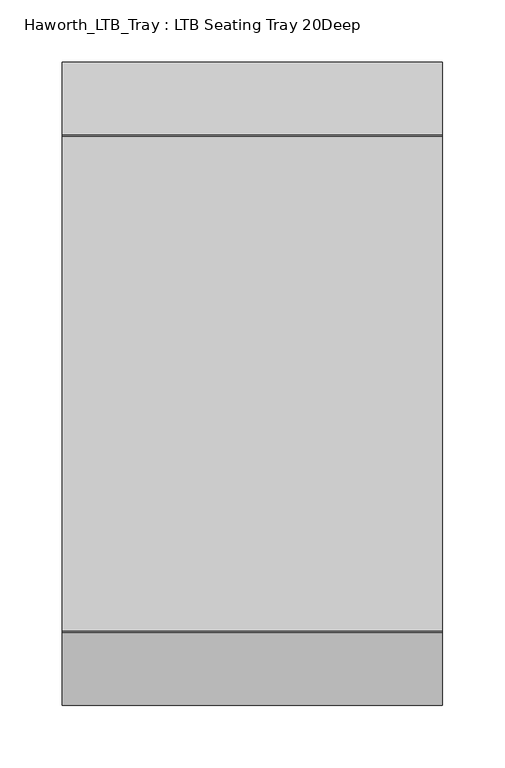
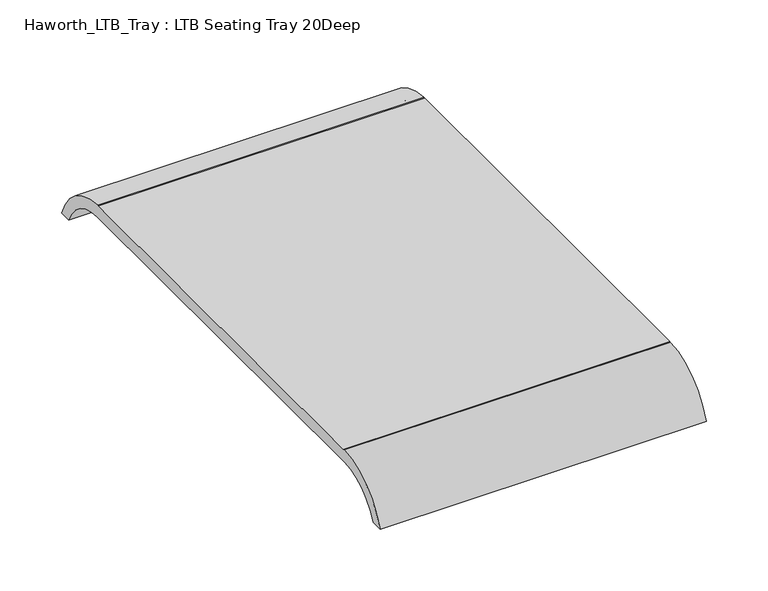
"""IFC4 building model written with IfcOpenShell, lengths in millimetres: furniture geometry, Haworth_LTB_Tray : LTB Seating Tray 20Deep."""

from ifc_helpers import new_model, si_unit, point, frame, frame_2d, origin, place, context, project, spatial, polyline, circle_curve, trimmed, segment, composite_curve, outline, extrude, source, transform, mapped, element, save


def haworth_ltb_tray_ltb_seating_tray_20deep_4236fddf(model_context):
    return source(origin(), model_context, "Body", "SweptSolid", [
        extrude(outline(composite_curve([segment(trimmed(circle_curve(frame_2d((-200.0364582, 375.0527771)), 49.9472261), [point((-200.0364582, 425.0000032))], [point((-246.2503946, 394.0000059))], True, "CARTESIAN"), True, "CONTINUOUS"), segment(polyline([(-246.2503946, 394.0000059), (-257.7464189, 394.0000059)]), True, "CONTINUOUS"), segment(trimmed(circle_curve(frame_2d((-197.9151522, 373.8823502)), 63.1229004), [point((-257.7464189, 394.0000059))], [point((-199.7580648, 436.9783423))], False, "CARTESIAN"), True, "CONTINUOUS"), segment(trimmed(circle_curve(frame_2d((-198.274927, 386.1999975)), 50.8), [point((-199.7580648, 436.9783423))], [point((-198.274927, 436.9999975))], False, "CARTESIAN"), True, "CONTINUOUS"), segment(polyline([(-198.274927, 436.9999975), (198.274927, 436.9999975)]), True, "CONTINUOUS"), segment(trimmed(circle_curve(frame_2d((198.274927, 386.1999975)), 50.8), [point((198.274927, 436.9999975))], [point((199.7580648, 436.9783423))], False, "CARTESIAN"), True, "CONTINUOUS"), segment(trimmed(circle_curve(frame_2d((197.9151522, 373.8823502)), 63.1229004), [point((199.7580648, 436.9783423))], [point((257.7464189, 394.0000059))], False, "CARTESIAN"), True, "CONTINUOUS"), segment(polyline([(257.7464189, 394.0000059), (246.2503946, 394.0000059)]), True, "CONTINUOUS"), segment(trimmed(circle_curve(frame_2d((200.0364582, 375.0527771)), 49.9472261), [point((246.2503946, 394.0000059))], [point((200.0364582, 425.0000032))], True, "CARTESIAN"), True, "CONTINUOUS"), segment(polyline([(200.0364582, 425.0000032), (-200.0364582, 425.0000032)]), True, "CONTINUOUS")], self_intersect=False)), frame((393.7, 0.0, 0.0), z_axis=(1.0, 0.0, 0.0), x_axis=(0.0, 1.0, 0.0)), (0.0, 0.0, 1.0), 304.8),
    ])


if __name__ == "__main__":
    model = new_model("IFC4")
    model_context = context("Model", 3, world=origin())
    ifc_project = project(units=[si_unit("LENGTHUNIT", "METRE", prefix="MILLI")], contexts=[model_context])
    site = spatial("IfcSite", under=ifc_project)
    building = spatial("IfcBuilding", under=site)
    placement = place(None, origin())
    haworth_ltb_tray_ltb_seating_tray_20deep_shape = haworth_ltb_tray_ltb_seating_tray_20deep_4236fddf(model_context)
    element("IfcFurniture", 1, ObjectType="Haworth_LTB_Tray : LTB Seating Tray 20Deep", at=placement, inside=building, context=model_context, shape_type="MappedRepresentation", body=[
        mapped(haworth_ltb_tray_ltb_seating_tray_20deep_shape, transform((0.0, 0.0, 0.0), x_axis=(1.0, 0.0, 0.0), y_axis=(0.0, 1.0, 0.0), z_axis=(0.0, 0.0, 1.0))),
    ])
    save(model, "model.ifc")
